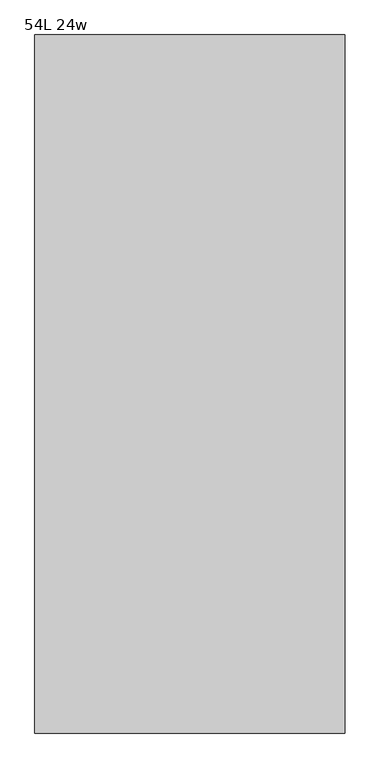
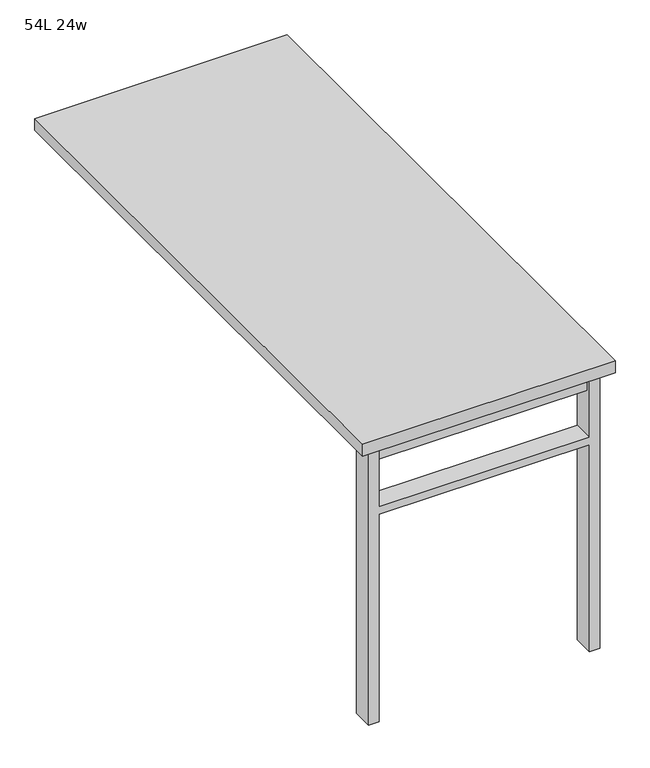
"""IFC4 building model written with IfcOpenShell, lengths in millimetres: furniture geometry, 54L 24w."""

from ifc_helpers import new_model, si_unit, frame, origin, place, context, project, spatial, polyline, outline, extrude, source, transform, mapped, element, save


def furniture_54l_24w_5379677e(model_context):
    return source(origin(), model_context, "Body", "SweptSolid", [
        extrude(outline(polyline([(-254.0, -625.475), (254.0, -625.475), (254.0, -657.225), (-254.0, -657.225), (-254.0, -625.475)])), frame((0.0, 0.0, 661.9875), z_axis=(0.0, 0.0, 1.0), x_axis=(1.0, 0.0, 0.0)), (0.0, 0.0, 1.0), 44.45),
        extrude(outline(polyline([(528.6375, 254.0), (0.0, 254.0), (0.0, 279.4), (706.4375, 279.4), (706.4375, 254.0), (547.6875, 254.0), (547.6875, -254.0), (706.4375, -254.0), (706.4375, -279.4), (0.0, -279.4), (0.0, -254.0), (528.6375, -254.0), (528.6375, 254.0)])), frame((0.0, -666.75, 0.0), z_axis=(0.0, 1.0, 0.0), x_axis=(0.0, 0.0, 1.0)), (0.0, 0.0, 1.0), 50.8),
        extrude(outline(polyline([(-304.8, -685.8), (-304.8, 685.8), (304.8, 685.8), (304.8, -685.8), (-304.8, -685.8)])), frame((0.0, 0.0, 706.4375), z_axis=(0.0, 0.0, 1.0), x_axis=(1.0, 0.0, 0.0)), (0.0, 0.0, 1.0), 30.1625),
    ])


if __name__ == "__main__":
    model = new_model("IFC4")
    model_context = context("Model", 3, world=origin())
    ifc_project = project(units=[si_unit("LENGTHUNIT", "METRE", prefix="MILLI")], contexts=[model_context])
    site = spatial("IfcSite", under=ifc_project)
    building = spatial("IfcBuilding", under=site)
    placement = place(None, origin())
    furniture_54l_24w_shape = furniture_54l_24w_5379677e(model_context)
    element("IfcFurniture", 1, ObjectType="54L 24w", at=placement, inside=building, context=model_context, shape_type="MappedRepresentation", body=[
        mapped(furniture_54l_24w_shape, transform((0.0, 0.0, 0.0), x_axis=(1.0, 0.0, 0.0), y_axis=(0.0, 1.0, 0.0), z_axis=(0.0, 0.0, 1.0))),
    ])
    save(model, "model.ifc")
